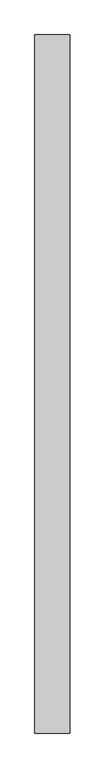
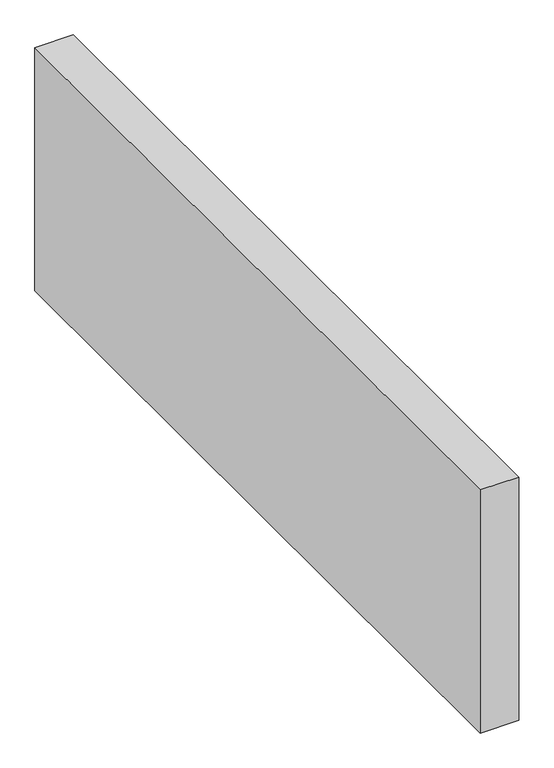
"""IFC4 building model written with IfcOpenShell, lengths in millimetres: proxy geometry."""

from ifc_helpers import new_model, si_unit, frame, origin, place, context, project, spatial, polyline, outline, extrude, source, transform, mapped, element, save


def generic_models_9c7ea3e5(model_context):
    return source(origin(), model_context, "Body", "SweptSolid", [
        extrude(outline(polyline([(300.0, 6000.0), (300.0, 0.0), (0.0, 0.0), (0.0, 6000.0), (300.0, 6000.0)])), frame((0.0, 0.0, 4000.0), z_axis=(0.0, 0.0, 1.0), x_axis=(1.0, 0.0, 0.0)), (0.0, 0.0, 1.0), 2000.0),
    ])


if __name__ == "__main__":
    model = new_model("IFC4")
    model_context = context("Model", 3, world=origin())
    ifc_project = project(units=[si_unit("LENGTHUNIT", "METRE", prefix="MILLI")], contexts=[model_context])
    site = spatial("IfcSite", under=ifc_project)
    building = spatial("IfcBuilding", under=site)
    placement = place(None, origin())
    generic_models_shape = generic_models_9c7ea3e5(model_context)
    element("IfcBuildingElementProxy", 1, Name="Generic Models", at=placement, inside=building, context=model_context, shape_type="MappedRepresentation", body=[
        mapped(generic_models_shape, transform((0.0, 0.0, 0.0), x_axis=(1.0, 0.0, 0.0), y_axis=(0.0, 1.0, 0.0), z_axis=(0.0, 0.0, 1.0))),
    ])
    save(model, "model.ifc")
